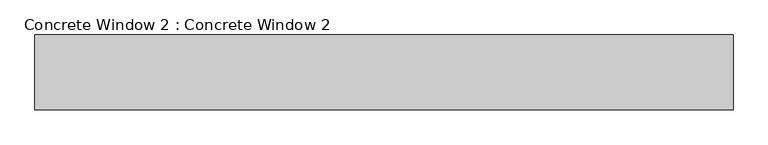
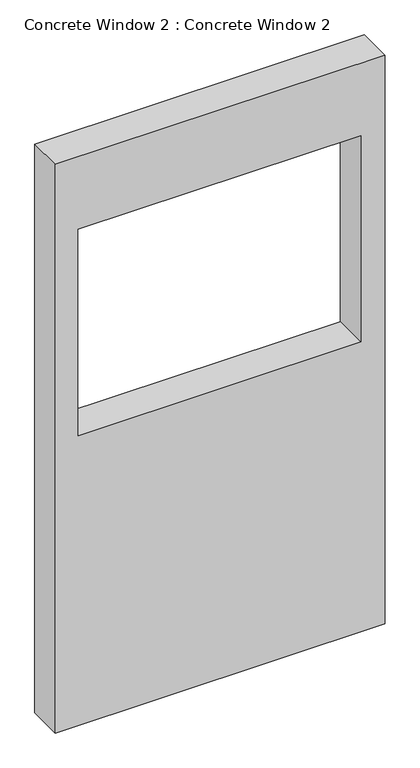
"""IFC4 building model written with IfcOpenShell, lengths in millimetres: proxy geometry, Concrete Window 2 : Concrete Window 2."""

import ifcopenshell
import ifcopenshell.guid

model = None  # the IFC model being written
_history = None  # IfcOwnerHistory: only IFC2X3 demands one
_inside = {}  # id of a spatial element -> (the spatial element, [elements in it])
_under = {}  # id of a project, library or spatial element -> (it, [spatial elements below it])
_declared = {}  # id of a project -> (the project, [libraries it declares])
_typed = {}  # id of a type object -> (the type object, [elements of that type])
_made_of = {}  # id of a material, layer set ... -> (it, [elements and type objects made of it])


def new_model(schema):
    """Start an empty IFC model of exactly this schema.

    Asked for "IFC4X3", IfcOpenShell would pick the latest addendum, in which some entities
    have other attributes; the version numbers below select the first issue.
    IFC2X3 requires an IfcOwnerHistory on every rooted entity: one is made here for all.
    """
    global model, _history
    if schema == "IFC4X3":
        model = ifcopenshell.file(schema_version=(4, 3, 0, 0))
    else:
        model = ifcopenshell.file(schema=schema)
    _inside.clear()
    _under.clear()
    _declared.clear()
    _typed.clear()
    _made_of.clear()
    _history = None
    if model.schema == "IFC2X3":
        org = make("IfcOrganization", Name="unknown")
        user = make(
            "IfcPersonAndOrganization",
            ThePerson=make("IfcPerson", FamilyName="unknown"),
            TheOrganization=org,
        )
        app = make(
            "IfcApplication",
            ApplicationDeveloper=org,
            Version="unknown",
            ApplicationFullName="unknown",
            ApplicationIdentifier="unknown",
        )
        _history = make(
            "IfcOwnerHistory",
            OwningUser=user,
            OwningApplication=app,
            ChangeAction="ADDED",
            CreationDate=0,
        )
    return model


def make(cls, **values):
    """One entity of the class cls with the attributes given. An attribute that is None is left unset."""
    return model.create_entity(
        cls, **{name: value for name, value in values.items() if value is not None}
    )


def rooted(cls, **values):
    """An entity with a GlobalId (a new one), such as an element, a storey or a relation."""
    return make(cls, GlobalId=ifcopenshell.guid.new(), OwnerHistory=_history, **values)


def si_unit(unit_type, name, prefix=None):
    """IfcSIUnit, for example si_unit("LENGTHUNIT", "METRE", prefix="MILLI")."""
    return make("IfcSIUnit", UnitType=unit_type, Prefix=prefix, Name=name)


def assignment(units):
    """IfcUnitAssignment: the units of a project."""
    return None if units is None else make("IfcUnitAssignment", Units=units)


def point(xyz):
    """IfcCartesianPoint."""
    return None if xyz is None else make("IfcCartesianPoint", Coordinates=xyz)


def direction(xyz):
    """IfcDirection."""
    return None if xyz is None else make("IfcDirection", DirectionRatios=xyz)


def frame(location, z_axis=None, x_axis=None):
    """IfcAxis2Placement3D, a coordinate frame: its origin and axes. An axis left out is left unset."""
    return make(
        "IfcAxis2Placement3D",
        Location=point(location),
        Axis=direction(z_axis),
        RefDirection=direction(x_axis),
    )


def origin():
    """The frame at (0, 0, 0) with its axes left unset."""
    return frame((0.0, 0.0, 0.0))


def place(relative_to, where):
    """IfcLocalPlacement: puts the frame where relative to a parent placement (None: the world)."""
    return make(
        "IfcLocalPlacement", PlacementRelTo=relative_to, RelativePlacement=where
    )


def context(
    kind, dimensions, precision=None, world=None, true_north=None, identifier=None
):
    """IfcGeometricRepresentationContext, for example the 3D "Model" context."""
    return make(
        "IfcGeometricRepresentationContext",
        ContextIdentifier=identifier,
        ContextType=kind,
        CoordinateSpaceDimension=dimensions,
        Precision=precision,
        WorldCoordinateSystem=world,
        TrueNorth=true_north,
    )


def project(units=None, contexts=None):
    """IfcProject with its units and contexts."""
    return rooted(
        "IfcProject",
        Name="project",
        RepresentationContexts=contexts,
        UnitsInContext=assignment(units),
    )


def spatial(cls, under=None, at=None, **own):
    """A site, building, storey or space (cls), placed at a placement, below another one or the project."""
    s = rooted(cls, ObjectPlacement=at, **own)
    if under is not None:
        _under.setdefault(under.id(), (under, []))[1].append(s)
    return s


def polyline(points):
    """IfcPolyline through the points."""
    return make("IfcPolyline", Points=[point(p) for p in points])


def outline(outer, holes=None, kind="AREA"):
    """IfcArbitraryClosedProfileDef: a profile drawn as a closed curve; with holes, ...WithVoids."""
    if holes is None:
        return make("IfcArbitraryClosedProfileDef", ProfileType=kind, OuterCurve=outer)
    return make(
        "IfcArbitraryProfileDefWithVoids",
        ProfileType=kind,
        OuterCurve=outer,
        InnerCurves=holes,
    )


def extrude(swept, where, along, depth):
    """IfcExtrudedAreaSolid: the profile swept, set in the frame where, extruded along a direction by depth."""
    return make(
        "IfcExtrudedAreaSolid",
        SweptArea=swept,
        Position=where,
        ExtrudedDirection=direction(along),
        Depth=depth,
    )


def shape(context_of_items, identifier, shape_type, items):
    """IfcShapeRepresentation: the items that make up one representation, for example the "Body"."""
    return make(
        "IfcShapeRepresentation",
        ContextOfItems=context_of_items,
        RepresentationIdentifier=identifier,
        RepresentationType=shape_type,
        Items=items,
    )


def source(mapping_origin, context_of_items, identifier, shape_type, items):
    """IfcRepresentationMap: a shape defined once, which mapped items show again and again."""
    return make(
        "IfcRepresentationMap",
        MappingOrigin=mapping_origin,
        MappedRepresentation=shape(context_of_items, identifier, shape_type, items),
    )


def transform(
    local_origin,
    x_axis=None,
    y_axis=None,
    z_axis=None,
    scale=None,
    scale2=None,
    scale3=None,
    uniform=True,
):
    """IfcCartesianTransformationOperator3D, or its non-uniform kind. x_axis, y_axis, z_axis: its Axis1, 2, 3."""
    if uniform:
        return make(
            "IfcCartesianTransformationOperator3D",
            Axis1=direction(x_axis),
            Axis2=direction(y_axis),
            LocalOrigin=point(local_origin),
            Scale=scale,
            Axis3=direction(z_axis),
        )
    return make(
        "IfcCartesianTransformationOperator3DnonUniform",
        Axis1=direction(x_axis),
        Axis2=direction(y_axis),
        LocalOrigin=point(local_origin),
        Scale=scale,
        Axis3=direction(z_axis),
        Scale2=scale2,
        Scale3=scale3,
    )


def mapped(mapping_source, mapping_target):
    """IfcMappedItem: shows the shape of a source again, moved by a transform."""
    return make(
        "IfcMappedItem", MappingSource=mapping_source, MappingTarget=mapping_target
    )


def made_of(thing, what):
    """Note that an element or type object is made of a material, layer set ...; save() writes the relation."""
    if what is not None:
        _made_of.setdefault(what.id(), (what, []))[1].append(thing)
    return thing


def element(
    cls,
    number,
    at=None,
    inside=None,
    cuts=None,
    type_object=None,
    material=None,
    context=None,
    identifier="Body",
    shape_type=None,
    held_by="IfcProductDefinitionShape",
    body=None,
    shapes=None,
    **own,
):
    """One element of the class cls, such as IfcWall. Its Tag is "e" and its number.

    at: its placement. inside: the storey or other place that contains it. cuts: it is an
    opening in that element (IfcRelVoidsElement). A single representation is given by context,
    identifier, shape_type and body (its items); several are given by shapes. held_by: the class
    of the entity that holds the representations. save() writes the other relations.
    """
    e = rooted(cls, Tag="e%d" % number, ObjectPlacement=at, **own)
    if body is not None:
        shapes = [shape(context, identifier, shape_type, body)]
    if shapes is not None:
        e.Representation = make(held_by, Representations=shapes)
    if inside is not None:
        _inside.setdefault(inside.id(), (inside, []))[1].append(e)
    if cuts is not None:
        rooted(
            "IfcRelVoidsElement", RelatingBuildingElement=cuts, RelatedOpeningElement=e
        )
    if type_object is not None:
        _typed.setdefault(type_object.id(), (type_object, []))[1].append(e)
    return made_of(e, material)


def aggregate(whole, parts):
    """IfcRelAggregates: a whole, such as a stair, and the parts it consists of."""
    return rooted("IfcRelAggregates", RelatingObject=whole, RelatedObjects=parts)


def save(model, path):
    """Write the relations noted so far, then the file.

    IfcRelAggregates (storeys below a building ...), IfcRelContainedInSpatialStructure (elements
    in a storey), IfcRelDefinesByType, IfcRelAssociatesMaterial and IfcRelDeclares: one each for
    every whole, place, type object, material and project.
    """
    for whole, parts in _under.values():
        aggregate(whole, parts)
    for where, things in _inside.values():
        rooted(
            "IfcRelContainedInSpatialStructure",
            RelatedElements=things,
            RelatingStructure=where,
        )
    for kind, things in _typed.values():
        rooted("IfcRelDefinesByType", RelatedObjects=things, RelatingType=kind)
    for what, things in _made_of.values():
        rooted("IfcRelAssociatesMaterial", RelatedObjects=things, RelatingMaterial=what)
    for by, libraries in _declared.values():
        rooted("IfcRelDeclares", RelatingContext=by, RelatedDefinitions=libraries)
    model.write(path)


def concrete_window_2_concrete_window_2_a583122c(model_context):
    return source(origin(), model_context, "Body", "SweptSolid", [
        extrude(outline(polyline([(2590.8, 262034.8043688), (2590.8, 260612.4043688), (0.0, 260612.4043688), (0.0, 262034.8043688), (2590.8, 262034.8043688)]), holes=[polyline([(2260.6, 261930.7596648), (1320.8, 261930.7596648), (1320.8, 260711.5596648), (2260.6, 260711.5596648), (2260.6, 261930.7596648)])]), frame((0.0, -78797.4462505, 0.0), z_axis=(0.0, 1.0, 0.0), x_axis=(0.0, 0.0, 1.0)), (0.0, 0.0, 1.0), 152.4),
    ])


if __name__ == "__main__":
    model = new_model("IFC4")
    model_context = context("Model", 3, world=origin())
    ifc_project = project(units=[si_unit("LENGTHUNIT", "METRE", prefix="MILLI")], contexts=[model_context])
    site = spatial("IfcSite", under=ifc_project)
    building = spatial("IfcBuilding", under=site)
    placement = place(None, origin())
    concrete_window_2_concrete_window_2_shape = concrete_window_2_concrete_window_2_a583122c(model_context)
    element("IfcBuildingElementProxy", 1, Name="Concrete Window 2 : Concrete Window 2", ObjectType="Concrete Window 2 : Concrete Window 2", at=placement, inside=building, context=model_context, shape_type="MappedRepresentation", body=[
        mapped(concrete_window_2_concrete_window_2_shape, transform((0.0, 0.0, 0.0), x_axis=(1.0, 0.0, 0.0), y_axis=(0.0, 1.0, 0.0), z_axis=(0.0, 0.0, 1.0))),
    ])
    save(model, "model.ifc")
